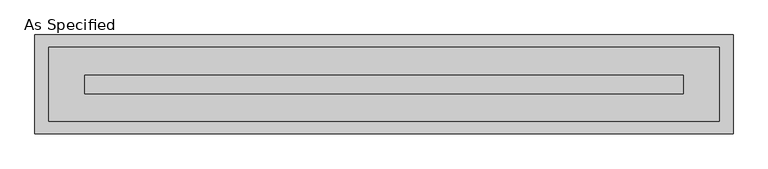
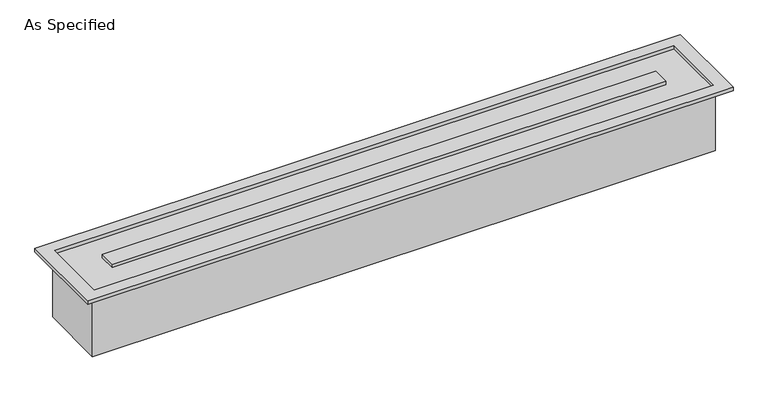
"""IFC4 building model written with IfcOpenShell, lengths in millimetres: proxy geometry, As Specified."""

from ifc_helpers import new_model, si_unit, origin, place, context, project, spatial, faceted_brep, source, transform, mapped, element, save


def as_specified_b36d850a(model_context):
    return source(origin(), model_context, "Body", "Brep", [
        faceted_brep([(1373.1875, 152.4, -292.1), (1373.1875, -152.4, -292.1), (-1373.1875, -152.4, -292.1), (-1373.1875, 152.4, -292.1), (1365.2499926, -150.812509, 0.0), (1365.2499926, 150.8125043, 0.0), (-1365.2499937, 150.8125043, 0.0), (-1365.2499937, -150.812509, 0.0), (-1219.2000025, 38.0999981, 0.0), (1219.2000013, 38.0999981, 0.0), (1219.2000013, -38.1000028, 0.0), (-1219.2000025, -38.1000028, 0.0), (-1373.1875, 152.4, 0.0), (1373.1875, 152.4, 0.0), (-1373.1875, -152.4, 0.0), (1373.1875, -152.4, 0.0), (1422.4, 201.6125, 15.875), (-1422.4, 201.6125, 15.875), (-1422.4, -201.6125, 15.875), (1422.4, -201.6125, 15.875), (1365.2499926, 150.8125043, 15.875), (1365.2499926, -150.812509, 15.875), (-1365.2499937, -150.812509, 15.875), (-1365.2499937, 150.8125043, 15.875), (1219.2000013, 38.0999981, 15.875), (-1219.2000025, 38.0999981, 15.875), (-1219.2000025, -38.1000028, 15.875), (1219.2000013, -38.1000028, 15.875), (1422.4, 201.6125, 0.0), (1422.4, -201.6125, 0.0), (-1422.4, -201.6125, 0.0), (-1422.4, 201.6125, 0.0)], [[[0, 1, 2, 3]], [[4, 5, 6, 7], [8, 9, 10, 11]], [[0, 3, 12, 13]], [[3, 2, 14, 12]], [[2, 1, 15, 14]], [[1, 0, 13, 15]], [[16, 17, 18, 19], [20, 21, 22, 23]], [[24, 25, 26, 27]], [[28, 29, 30, 31], [13, 12, 14, 15]], [[17, 16, 28, 31]], [[18, 17, 31, 30]], [[19, 18, 30, 29]], [[16, 19, 29, 28]], [[21, 20, 5, 4]], [[22, 21, 4, 7]], [[23, 22, 7, 6]], [[20, 23, 6, 5]], [[25, 24, 9, 8]], [[26, 25, 8, 11]], [[27, 26, 11, 10]], [[24, 27, 10, 9]]]),
    ])


if __name__ == "__main__":
    model = new_model("IFC4")
    model_context = context("Model", 3, world=origin())
    ifc_project = project(units=[si_unit("LENGTHUNIT", "METRE", prefix="MILLI")], contexts=[model_context])
    site = spatial("IfcSite", under=ifc_project)
    building = spatial("IfcBuilding", under=site)
    placement = place(None, origin())
    as_specified_shape = as_specified_b36d850a(model_context)
    element("IfcBuildingElementProxy", 1, Name="As Specified", ObjectType="As Specified", at=placement, inside=building, context=model_context, shape_type="MappedRepresentation", body=[
        mapped(as_specified_shape, transform((0.0, 0.0, 0.0), x_axis=(1.0, 0.0, 0.0), y_axis=(0.0, 1.0, 0.0), z_axis=(0.0, 0.0, 1.0))),
    ])
    save(model, "model.ifc")
